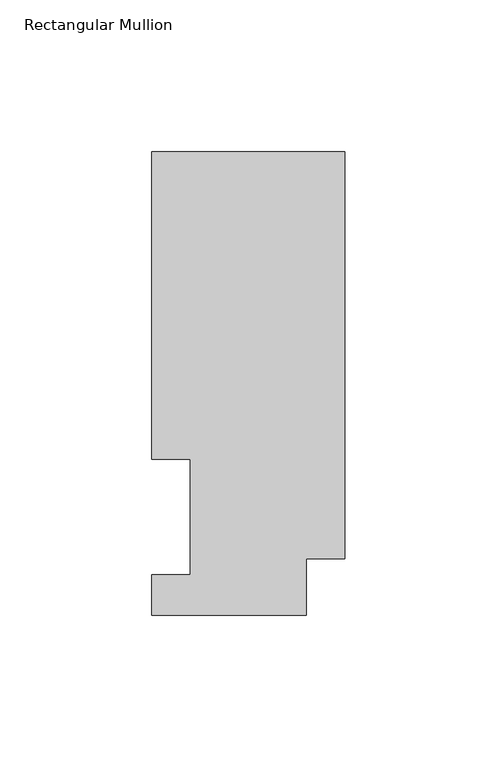
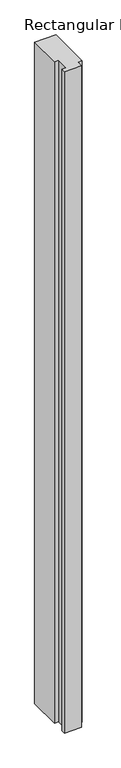
"""IFC4 building model written with IfcOpenShell, lengths in millimetres: member geometry, Rectangular Mullion."""

from ifc_helpers import new_model, si_unit, frame, origin, place, context, project, spatial, polyline, outline, extrude, source, transform, mapped, element, save


def rectangular_mullion_fbf2c33b(model_context):
    return source(origin(), model_context, "Body", "SweptSolid", [
        extrude(outline(polyline([(0.0, 152.4988119), (0.0, 18.5222276), (-12.7, 18.5222276), (-12.7, 0.0134937), (-63.5, 0.0134937), (-63.5, 13.1960938), (-50.8, 13.1960938), (-50.8, 51.2960938), (-63.5, 51.2960938), (-63.5, 152.4988119), (0.0, 152.4988119)])), frame((0.0, 0.0, -2070.1), z_axis=(0.0, 0.0, 1.0), x_axis=(1.0, 0.0, 0.0)), (0.0, 0.0, 1.0), 2070.1),
    ])


if __name__ == "__main__":
    model = new_model("IFC4")
    model_context = context("Model", 3, world=origin())
    ifc_project = project(units=[si_unit("LENGTHUNIT", "METRE", prefix="MILLI")], contexts=[model_context])
    site = spatial("IfcSite", under=ifc_project)
    building = spatial("IfcBuilding", under=site)
    placement = place(None, origin())
    rectangular_mullion_shape = rectangular_mullion_fbf2c33b(model_context)
    element("IfcMember", 1, ObjectType="Rectangular Mullion", at=placement, inside=building, context=model_context, shape_type="MappedRepresentation", body=[
        mapped(rectangular_mullion_shape, transform((0.0, 0.0, 0.0), x_axis=(1.0, 0.0, 0.0), y_axis=(0.0, 1.0, 0.0), z_axis=(0.0, 0.0, 1.0))),
    ])
    save(model, "model.ifc")
